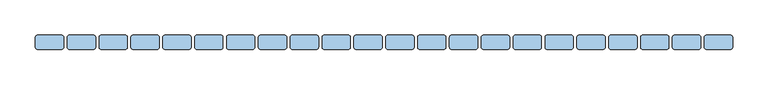
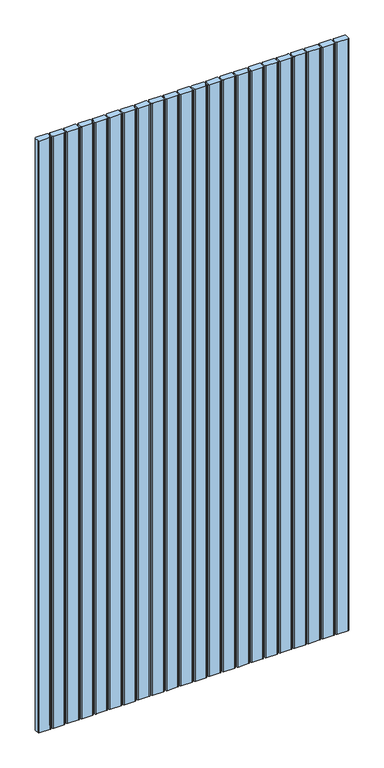
"""IFC4 building model written with IfcOpenShell, lengths in millimetres: window geometry."""

from ifc_helpers import new_model, si_unit, point, frame, frame_2d, origin, place, context, project, spatial, polyline, circle_curve, trimmed, segment, composite_curve, outline, extrude, source, transform, mapped, element, save


def window_b98b00cf(model_context):
    return source(origin(), model_context, "Body", "SweptSolid", [
        extrude(outline(composite_curve([segment(polyline([(244.995806, 135.0), (244.995806, 121.0)]), True, "CONTINUOUS"), segment(trimmed(circle_curve(frame_2d((241.995806, 121.0)), 3.0), [point((244.995806, 121.0))], [point((241.995806, 118.0))], False, "CARTESIAN"), True, "CONTINUOUS"), segment(polyline([(241.995806, 118.0), (208.004194, 118.0)]), True, "CONTINUOUS"), segment(trimmed(circle_curve(frame_2d((208.004194, 121.0)), 3.0), [point((208.004194, 118.0))], [point((205.004194, 121.0))], False, "CARTESIAN"), True, "CONTINUOUS"), segment(polyline([(205.004194, 121.0), (205.004194, 135.0)]), True, "CONTINUOUS"), segment(trimmed(circle_curve(frame_2d((208.004194, 135.0)), 3.0), [point((205.004194, 135.0))], [point((208.004194, 138.0))], False, "CARTESIAN"), True, "CONTINUOUS"), segment(polyline([(208.004194, 138.0), (241.995806, 138.0)]), True, "CONTINUOUS"), segment(trimmed(circle_curve(frame_2d((241.995806, 135.0)), 3.0), [point((241.995806, 138.0))], [point((244.995806, 135.0))], False, "CARTESIAN"), True, "CONTINUOUS")], self_intersect=False)), frame((0.0, 0.0, 100.0), z_axis=(0.0, 0.0, 1.0), x_axis=(1.0, 0.0, 0.0)), (0.0, 0.0, 1.0), 1985.0),
        extrude(outline(composite_curve([segment(polyline([(199.995806, 135.0), (199.995806, 121.0)]), True, "CONTINUOUS"), segment(trimmed(circle_curve(frame_2d((196.995806, 121.0)), 3.0), [point((199.995806, 121.0))], [point((196.995806, 118.0))], False, "CARTESIAN"), True, "CONTINUOUS"), segment(polyline([(196.995806, 118.0), (163.004194, 118.0)]), True, "CONTINUOUS"), segment(trimmed(circle_curve(frame_2d((163.004194, 121.0)), 3.0), [point((163.004194, 118.0))], [point((160.004194, 121.0))], False, "CARTESIAN"), True, "CONTINUOUS"), segment(polyline([(160.004194, 121.0), (160.004194, 135.0)]), True, "CONTINUOUS"), segment(trimmed(circle_curve(frame_2d((163.004194, 135.0)), 3.0), [point((160.004194, 135.0))], [point((163.004194, 138.0))], False, "CARTESIAN"), True, "CONTINUOUS"), segment(polyline([(163.004194, 138.0), (196.995806, 138.0)]), True, "CONTINUOUS"), segment(trimmed(circle_curve(frame_2d((196.995806, 135.0)), 3.0), [point((196.995806, 138.0))], [point((199.995806, 135.0))], False, "CARTESIAN"), True, "CONTINUOUS")], self_intersect=False)), frame((0.0, 0.0, 100.0), z_axis=(0.0, 0.0, 1.0), x_axis=(1.0, 0.0, 0.0)), (0.0, 0.0, 1.0), 1985.0),
        extrude(outline(composite_curve([segment(polyline([(154.995806, 135.0), (154.995806, 121.0)]), True, "CONTINUOUS"), segment(trimmed(circle_curve(frame_2d((151.995806, 121.0)), 3.0), [point((154.995806, 121.0))], [point((151.995806, 118.0))], False, "CARTESIAN"), True, "CONTINUOUS"), segment(polyline([(151.995806, 118.0), (118.004194, 118.0)]), True, "CONTINUOUS"), segment(trimmed(circle_curve(frame_2d((118.004194, 121.0)), 3.0), [point((118.004194, 118.0))], [point((115.004194, 121.0))], False, "CARTESIAN"), True, "CONTINUOUS"), segment(polyline([(115.004194, 121.0), (115.004194, 135.0)]), True, "CONTINUOUS"), segment(trimmed(circle_curve(frame_2d((118.004194, 135.0)), 3.0), [point((115.004194, 135.0))], [point((118.004194, 138.0))], False, "CARTESIAN"), True, "CONTINUOUS"), segment(polyline([(118.004194, 138.0), (151.995806, 138.0)]), True, "CONTINUOUS"), segment(trimmed(circle_curve(frame_2d((151.995806, 135.0)), 3.0), [point((151.995806, 138.0))], [point((154.995806, 135.0))], False, "CARTESIAN"), True, "CONTINUOUS")], self_intersect=False)), frame((0.0, 0.0, 100.0), z_axis=(0.0, 0.0, 1.0), x_axis=(1.0, 0.0, 0.0)), (0.0, 0.0, 1.0), 1985.0),
        extrude(outline(composite_curve([segment(polyline([(109.995806, 135.0), (109.995806, 121.0)]), True, "CONTINUOUS"), segment(trimmed(circle_curve(frame_2d((106.995806, 121.0)), 3.0), [point((109.995806, 121.0))], [point((106.995806, 118.0))], False, "CARTESIAN"), True, "CONTINUOUS"), segment(polyline([(106.995806, 118.0), (73.004194, 118.0)]), True, "CONTINUOUS"), segment(trimmed(circle_curve(frame_2d((73.004194, 121.0)), 3.0), [point((73.004194, 118.0))], [point((70.004194, 121.0))], False, "CARTESIAN"), True, "CONTINUOUS"), segment(polyline([(70.004194, 121.0), (70.004194, 135.0)]), True, "CONTINUOUS"), segment(trimmed(circle_curve(frame_2d((73.004194, 135.0)), 3.0), [point((70.004194, 135.0))], [point((73.004194, 138.0))], False, "CARTESIAN"), True, "CONTINUOUS"), segment(polyline([(73.004194, 138.0), (106.995806, 138.0)]), True, "CONTINUOUS"), segment(trimmed(circle_curve(frame_2d((106.995806, 135.0)), 3.0), [point((106.995806, 138.0))], [point((109.995806, 135.0))], False, "CARTESIAN"), True, "CONTINUOUS")], self_intersect=False)), frame((0.0, 0.0, 100.0), z_axis=(0.0, 0.0, 1.0), x_axis=(1.0, 0.0, 0.0)), (0.0, 0.0, 1.0), 1985.0),
        extrude(outline(composite_curve([segment(polyline([(64.995806, 135.0), (64.995806, 121.0)]), True, "CONTINUOUS"), segment(trimmed(circle_curve(frame_2d((61.995806, 121.0)), 3.0), [point((64.995806, 121.0))], [point((61.995806, 118.0))], False, "CARTESIAN"), True, "CONTINUOUS"), segment(polyline([(61.995806, 118.0), (28.004194, 118.0)]), True, "CONTINUOUS"), segment(trimmed(circle_curve(frame_2d((28.004194, 121.0)), 3.0), [point((28.004194, 118.0))], [point((25.004194, 121.0))], False, "CARTESIAN"), True, "CONTINUOUS"), segment(polyline([(25.004194, 121.0), (25.004194, 135.0)]), True, "CONTINUOUS"), segment(trimmed(circle_curve(frame_2d((28.004194, 135.0)), 3.0), [point((25.004194, 135.0))], [point((28.004194, 138.0))], False, "CARTESIAN"), True, "CONTINUOUS"), segment(polyline([(28.004194, 138.0), (61.995806, 138.0)]), True, "CONTINUOUS"), segment(trimmed(circle_curve(frame_2d((61.995806, 135.0)), 3.0), [point((61.995806, 138.0))], [point((64.995806, 135.0))], False, "CARTESIAN"), True, "CONTINUOUS")], self_intersect=False)), frame((0.0, 0.0, 100.0), z_axis=(0.0, 0.0, 1.0), x_axis=(1.0, 0.0, 0.0)), (0.0, 0.0, 1.0), 1985.0),
        extrude(outline(composite_curve([segment(polyline([(19.995806, 135.0), (19.995806, 121.0)]), True, "CONTINUOUS"), segment(trimmed(circle_curve(frame_2d((16.995806, 121.0)), 3.0), [point((19.995806, 121.0))], [point((16.995806, 118.0))], False, "CARTESIAN"), True, "CONTINUOUS"), segment(polyline([(16.995806, 118.0), (-16.995806, 118.0)]), True, "CONTINUOUS"), segment(trimmed(circle_curve(frame_2d((-16.995806, 121.0)), 3.0), [point((-16.995806, 118.0))], [point((-19.995806, 121.0))], False, "CARTESIAN"), True, "CONTINUOUS"), segment(polyline([(-19.995806, 121.0), (-19.995806, 135.0)]), True, "CONTINUOUS"), segment(trimmed(circle_curve(frame_2d((-16.995806, 135.0)), 3.0), [point((-19.995806, 135.0))], [point((-16.995806, 138.0))], False, "CARTESIAN"), True, "CONTINUOUS"), segment(polyline([(-16.995806, 138.0), (16.995806, 138.0)]), True, "CONTINUOUS"), segment(trimmed(circle_curve(frame_2d((16.995806, 135.0)), 3.0), [point((16.995806, 138.0))], [point((19.995806, 135.0))], False, "CARTESIAN"), True, "CONTINUOUS")], self_intersect=False)), frame((0.0, 0.0, 100.0), z_axis=(0.0, 0.0, 1.0), x_axis=(1.0, 0.0, 0.0)), (0.0, 0.0, 1.0), 1985.0),
        extrude(outline(composite_curve([segment(polyline([(-25.004194, 135.0), (-25.004194, 121.0)]), True, "CONTINUOUS"), segment(trimmed(circle_curve(frame_2d((-28.004194, 121.0)), 3.0), [point((-25.004194, 121.0))], [point((-28.004194, 118.0))], False, "CARTESIAN"), True, "CONTINUOUS"), segment(polyline([(-28.004194, 118.0), (-61.995806, 118.0)]), True, "CONTINUOUS"), segment(trimmed(circle_curve(frame_2d((-61.995806, 121.0)), 3.0), [point((-61.995806, 118.0))], [point((-64.995806, 121.0))], False, "CARTESIAN"), True, "CONTINUOUS"), segment(polyline([(-64.995806, 121.0), (-64.995806, 135.0)]), True, "CONTINUOUS"), segment(trimmed(circle_curve(frame_2d((-61.995806, 135.0)), 3.0), [point((-64.995806, 135.0))], [point((-61.995806, 138.0))], False, "CARTESIAN"), True, "CONTINUOUS"), segment(polyline([(-61.995806, 138.0), (-28.004194, 138.0)]), True, "CONTINUOUS"), segment(trimmed(circle_curve(frame_2d((-28.004194, 135.0)), 3.0), [point((-28.004194, 138.0))], [point((-25.004194, 135.0))], False, "CARTESIAN"), True, "CONTINUOUS")], self_intersect=False)), frame((0.0, 0.0, 100.0), z_axis=(0.0, 0.0, 1.0), x_axis=(1.0, 0.0, 0.0)), (0.0, 0.0, 1.0), 1985.0),
        extrude(outline(composite_curve([segment(polyline([(-70.004194, 135.0), (-70.004194, 121.0)]), True, "CONTINUOUS"), segment(trimmed(circle_curve(frame_2d((-73.004194, 121.0)), 3.0), [point((-70.004194, 121.0))], [point((-73.004194, 118.0))], False, "CARTESIAN"), True, "CONTINUOUS"), segment(polyline([(-73.004194, 118.0), (-106.995806, 118.0)]), True, "CONTINUOUS"), segment(trimmed(circle_curve(frame_2d((-106.995806, 121.0)), 3.0), [point((-106.995806, 118.0))], [point((-109.995806, 121.0))], False, "CARTESIAN"), True, "CONTINUOUS"), segment(polyline([(-109.995806, 121.0), (-109.995806, 135.0)]), True, "CONTINUOUS"), segment(trimmed(circle_curve(frame_2d((-106.995806, 135.0)), 3.0), [point((-109.995806, 135.0))], [point((-106.995806, 138.0))], False, "CARTESIAN"), True, "CONTINUOUS"), segment(polyline([(-106.995806, 138.0), (-73.004194, 138.0)]), True, "CONTINUOUS"), segment(trimmed(circle_curve(frame_2d((-73.004194, 135.0)), 3.0), [point((-73.004194, 138.0))], [point((-70.004194, 135.0))], False, "CARTESIAN"), True, "CONTINUOUS")], self_intersect=False)), frame((0.0, 0.0, 100.0), z_axis=(0.0, 0.0, 1.0), x_axis=(1.0, 0.0, 0.0)), (0.0, 0.0, 1.0), 1985.0),
        extrude(outline(composite_curve([segment(polyline([(-115.004194, 135.0), (-115.004194, 121.0)]), True, "CONTINUOUS"), segment(trimmed(circle_curve(frame_2d((-118.004194, 121.0)), 3.0), [point((-115.004194, 121.0))], [point((-118.004194, 118.0))], False, "CARTESIAN"), True, "CONTINUOUS"), segment(polyline([(-118.004194, 118.0), (-151.995806, 118.0)]), True, "CONTINUOUS"), segment(trimmed(circle_curve(frame_2d((-151.995806, 121.0)), 3.0), [point((-151.995806, 118.0))], [point((-154.995806, 121.0))], False, "CARTESIAN"), True, "CONTINUOUS"), segment(polyline([(-154.995806, 121.0), (-154.995806, 135.0)]), True, "CONTINUOUS"), segment(trimmed(circle_curve(frame_2d((-151.995806, 135.0)), 3.0), [point((-154.995806, 135.0))], [point((-151.995806, 138.0))], False, "CARTESIAN"), True, "CONTINUOUS"), segment(polyline([(-151.995806, 138.0), (-118.004194, 138.0)]), True, "CONTINUOUS"), segment(trimmed(circle_curve(frame_2d((-118.004194, 135.0)), 3.0), [point((-118.004194, 138.0))], [point((-115.004194, 135.0))], False, "CARTESIAN"), True, "CONTINUOUS")], self_intersect=False)), frame((0.0, 0.0, 100.0), z_axis=(0.0, 0.0, 1.0), x_axis=(1.0, 0.0, 0.0)), (0.0, 0.0, 1.0), 1985.0),
        extrude(outline(composite_curve([segment(polyline([(-160.004194, 135.0), (-160.004194, 121.0)]), True, "CONTINUOUS"), segment(trimmed(circle_curve(frame_2d((-163.004194, 121.0)), 3.0), [point((-160.004194, 121.0))], [point((-163.004194, 118.0))], False, "CARTESIAN"), True, "CONTINUOUS"), segment(polyline([(-163.004194, 118.0), (-196.995806, 118.0)]), True, "CONTINUOUS"), segment(trimmed(circle_curve(frame_2d((-196.995806, 121.0)), 3.0), [point((-196.995806, 118.0))], [point((-199.995806, 121.0))], False, "CARTESIAN"), True, "CONTINUOUS"), segment(polyline([(-199.995806, 121.0), (-199.995806, 135.0)]), True, "CONTINUOUS"), segment(trimmed(circle_curve(frame_2d((-196.995806, 135.0)), 3.0), [point((-199.995806, 135.0))], [point((-196.995806, 138.0))], False, "CARTESIAN"), True, "CONTINUOUS"), segment(polyline([(-196.995806, 138.0), (-163.004194, 138.0)]), True, "CONTINUOUS"), segment(trimmed(circle_curve(frame_2d((-163.004194, 135.0)), 3.0), [point((-163.004194, 138.0))], [point((-160.004194, 135.0))], False, "CARTESIAN"), True, "CONTINUOUS")], self_intersect=False)), frame((0.0, 0.0, 100.0), z_axis=(0.0, 0.0, 1.0), x_axis=(1.0, 0.0, 0.0)), (0.0, 0.0, 1.0), 1985.0),
        extrude(outline(composite_curve([segment(polyline([(-205.004194, 135.0), (-205.004194, 121.0)]), True, "CONTINUOUS"), segment(trimmed(circle_curve(frame_2d((-208.004194, 121.0)), 3.0), [point((-205.004194, 121.0))], [point((-208.004194, 118.0))], False, "CARTESIAN"), True, "CONTINUOUS"), segment(polyline([(-208.004194, 118.0), (-241.995806, 118.0)]), True, "CONTINUOUS"), segment(trimmed(circle_curve(frame_2d((-241.995806, 121.0)), 3.0), [point((-241.995806, 118.0))], [point((-244.995806, 121.0))], False, "CARTESIAN"), True, "CONTINUOUS"), segment(polyline([(-244.995806, 121.0), (-244.995806, 135.0)]), True, "CONTINUOUS"), segment(trimmed(circle_curve(frame_2d((-241.995806, 135.0)), 3.0), [point((-244.995806, 135.0))], [point((-241.995806, 138.0))], False, "CARTESIAN"), True, "CONTINUOUS"), segment(polyline([(-241.995806, 138.0), (-208.004194, 138.0)]), True, "CONTINUOUS"), segment(trimmed(circle_curve(frame_2d((-208.004194, 135.0)), 3.0), [point((-208.004194, 138.0))], [point((-205.004194, 135.0))], False, "CARTESIAN"), True, "CONTINUOUS")], self_intersect=False)), frame((0.0, 0.0, 100.0), z_axis=(0.0, 0.0, 1.0), x_axis=(1.0, 0.0, 0.0)), (0.0, 0.0, 1.0), 1985.0),
        extrude(outline(composite_curve([segment(polyline([(-250.004194, 135.0), (-250.004194, 121.0)]), True, "CONTINUOUS"), segment(trimmed(circle_curve(frame_2d((-253.004194, 121.0)), 3.0), [point((-250.004194, 121.0))], [point((-253.004194, 118.0))], False, "CARTESIAN"), True, "CONTINUOUS"), segment(polyline([(-253.004194, 118.0), (-286.995806, 118.0)]), True, "CONTINUOUS"), segment(trimmed(circle_curve(frame_2d((-286.995806, 121.0)), 3.0), [point((-286.995806, 118.0))], [point((-289.995806, 121.0))], False, "CARTESIAN"), True, "CONTINUOUS"), segment(polyline([(-289.995806, 121.0), (-289.995806, 135.0)]), True, "CONTINUOUS"), segment(trimmed(circle_curve(frame_2d((-286.995806, 135.0)), 3.0), [point((-289.995806, 135.0))], [point((-286.995806, 138.0))], False, "CARTESIAN"), True, "CONTINUOUS"), segment(polyline([(-286.995806, 138.0), (-253.004194, 138.0)]), True, "CONTINUOUS"), segment(trimmed(circle_curve(frame_2d((-253.004194, 135.0)), 3.0), [point((-253.004194, 138.0))], [point((-250.004194, 135.0))], False, "CARTESIAN"), True, "CONTINUOUS")], self_intersect=False)), frame((0.0, 0.0, 100.0), z_axis=(0.0, 0.0, 1.0), x_axis=(1.0, 0.0, 0.0)), (0.0, 0.0, 1.0), 1985.0),
        extrude(outline(composite_curve([segment(polyline([(-295.004194, 135.0), (-295.004194, 121.0)]), True, "CONTINUOUS"), segment(trimmed(circle_curve(frame_2d((-298.004194, 121.0)), 3.0), [point((-295.004194, 121.0))], [point((-298.004194, 118.0))], False, "CARTESIAN"), True, "CONTINUOUS"), segment(polyline([(-298.004194, 118.0), (-331.995806, 118.0)]), True, "CONTINUOUS"), segment(trimmed(circle_curve(frame_2d((-331.995806, 121.0)), 3.0), [point((-331.995806, 118.0))], [point((-334.995806, 121.0))], False, "CARTESIAN"), True, "CONTINUOUS"), segment(polyline([(-334.995806, 121.0), (-334.995806, 135.0)]), True, "CONTINUOUS"), segment(trimmed(circle_curve(frame_2d((-331.995806, 135.0)), 3.0), [point((-334.995806, 135.0))], [point((-331.995806, 138.0))], False, "CARTESIAN"), True, "CONTINUOUS"), segment(polyline([(-331.995806, 138.0), (-298.004194, 138.0)]), True, "CONTINUOUS"), segment(trimmed(circle_curve(frame_2d((-298.004194, 135.0)), 3.0), [point((-298.004194, 138.0))], [point((-295.004194, 135.0))], False, "CARTESIAN"), True, "CONTINUOUS")], self_intersect=False)), frame((0.0, 0.0, 100.0), z_axis=(0.0, 0.0, 1.0), x_axis=(1.0, 0.0, 0.0)), (0.0, 0.0, 1.0), 1985.0),
        extrude(outline(composite_curve([segment(polyline([(-340.004194, 135.0), (-340.004194, 121.0)]), True, "CONTINUOUS"), segment(trimmed(circle_curve(frame_2d((-343.004194, 121.0)), 3.0), [point((-340.004194, 121.0))], [point((-343.004194, 118.0))], False, "CARTESIAN"), True, "CONTINUOUS"), segment(polyline([(-343.004194, 118.0), (-376.995806, 118.0)]), True, "CONTINUOUS"), segment(trimmed(circle_curve(frame_2d((-376.995806, 121.0)), 3.0), [point((-376.995806, 118.0))], [point((-379.995806, 121.0))], False, "CARTESIAN"), True, "CONTINUOUS"), segment(polyline([(-379.995806, 121.0), (-379.995806, 135.0)]), True, "CONTINUOUS"), segment(trimmed(circle_curve(frame_2d((-376.995806, 135.0)), 3.0), [point((-379.995806, 135.0))], [point((-376.995806, 138.0))], False, "CARTESIAN"), True, "CONTINUOUS"), segment(polyline([(-376.995806, 138.0), (-343.004194, 138.0)]), True, "CONTINUOUS"), segment(trimmed(circle_curve(frame_2d((-343.004194, 135.0)), 3.0), [point((-343.004194, 138.0))], [point((-340.004194, 135.0))], False, "CARTESIAN"), True, "CONTINUOUS")], self_intersect=False)), frame((0.0, 0.0, 100.0), z_axis=(0.0, 0.0, 1.0), x_axis=(1.0, 0.0, 0.0)), (0.0, 0.0, 1.0), 1985.0),
        extrude(outline(composite_curve([segment(polyline([(-385.004194, 135.0), (-385.004194, 121.0)]), True, "CONTINUOUS"), segment(trimmed(circle_curve(frame_2d((-388.004194, 121.0)), 3.0), [point((-385.004194, 121.0))], [point((-388.004194, 118.0))], False, "CARTESIAN"), True, "CONTINUOUS"), segment(polyline([(-388.004194, 118.0), (-421.995806, 118.0)]), True, "CONTINUOUS"), segment(trimmed(circle_curve(frame_2d((-421.995806, 121.0)), 3.0), [point((-421.995806, 118.0))], [point((-424.995806, 121.0))], False, "CARTESIAN"), True, "CONTINUOUS"), segment(polyline([(-424.995806, 121.0), (-424.995806, 135.0)]), True, "CONTINUOUS"), segment(trimmed(circle_curve(frame_2d((-421.995806, 135.0)), 3.0), [point((-424.995806, 135.0))], [point((-421.995806, 138.0))], False, "CARTESIAN"), True, "CONTINUOUS"), segment(polyline([(-421.995806, 138.0), (-388.004194, 138.0)]), True, "CONTINUOUS"), segment(trimmed(circle_curve(frame_2d((-388.004194, 135.0)), 3.0), [point((-388.004194, 138.0))], [point((-385.004194, 135.0))], False, "CARTESIAN"), True, "CONTINUOUS")], self_intersect=False)), frame((0.0, 0.0, 100.0), z_axis=(0.0, 0.0, 1.0), x_axis=(1.0, 0.0, 0.0)), (0.0, 0.0, 1.0), 1985.0),
        extrude(outline(composite_curve([segment(polyline([(-430.004194, 135.0), (-430.004194, 121.0)]), True, "CONTINUOUS"), segment(trimmed(circle_curve(frame_2d((-433.004194, 121.0)), 3.0), [point((-430.004194, 121.0))], [point((-433.004194, 118.0))], False, "CARTESIAN"), True, "CONTINUOUS"), segment(polyline([(-433.004194, 118.0), (-466.995806, 118.0)]), True, "CONTINUOUS"), segment(trimmed(circle_curve(frame_2d((-466.995806, 121.0)), 3.0), [point((-466.995806, 118.0))], [point((-469.995806, 121.0))], False, "CARTESIAN"), True, "CONTINUOUS"), segment(polyline([(-469.995806, 121.0), (-469.995806, 135.0)]), True, "CONTINUOUS"), segment(trimmed(circle_curve(frame_2d((-466.995806, 135.0)), 3.0), [point((-469.995806, 135.0))], [point((-466.995806, 138.0))], False, "CARTESIAN"), True, "CONTINUOUS"), segment(polyline([(-466.995806, 138.0), (-433.004194, 138.0)]), True, "CONTINUOUS"), segment(trimmed(circle_curve(frame_2d((-433.004194, 135.0)), 3.0), [point((-433.004194, 138.0))], [point((-430.004194, 135.0))], False, "CARTESIAN"), True, "CONTINUOUS")], self_intersect=False)), frame((0.0, 0.0, 100.0), z_axis=(0.0, 0.0, 1.0), x_axis=(1.0, 0.0, 0.0)), (0.0, 0.0, 1.0), 1985.0),
        extrude(outline(composite_curve([segment(polyline([(-475.004194, 135.0), (-475.004194, 121.0)]), True, "CONTINUOUS"), segment(trimmed(circle_curve(frame_2d((-478.004194, 121.0)), 3.0), [point((-475.004194, 121.0))], [point((-478.004194, 118.0))], False, "CARTESIAN"), True, "CONTINUOUS"), segment(polyline([(-478.004194, 118.0), (-511.995806, 118.0)]), True, "CONTINUOUS"), segment(trimmed(circle_curve(frame_2d((-511.995806, 121.0)), 3.0), [point((-511.995806, 118.0))], [point((-514.995806, 121.0))], False, "CARTESIAN"), True, "CONTINUOUS"), segment(polyline([(-514.995806, 121.0), (-514.995806, 135.0)]), True, "CONTINUOUS"), segment(trimmed(circle_curve(frame_2d((-511.995806, 135.0)), 3.0), [point((-514.995806, 135.0))], [point((-511.995806, 138.0))], False, "CARTESIAN"), True, "CONTINUOUS"), segment(polyline([(-511.995806, 138.0), (-478.004194, 138.0)]), True, "CONTINUOUS"), segment(trimmed(circle_curve(frame_2d((-478.004194, 135.0)), 3.0), [point((-478.004194, 138.0))], [point((-475.004194, 135.0))], False, "CARTESIAN"), True, "CONTINUOUS")], self_intersect=False)), frame((0.0, 0.0, 100.0), z_axis=(0.0, 0.0, 1.0), x_axis=(1.0, 0.0, 0.0)), (0.0, 0.0, 1.0), 1985.0),
        extrude(outline(composite_curve([segment(polyline([(-520.004194, 135.0), (-520.004194, 121.0)]), True, "CONTINUOUS"), segment(trimmed(circle_curve(frame_2d((-523.004194, 121.0)), 3.0), [point((-520.004194, 121.0))], [point((-523.004194, 118.0))], False, "CARTESIAN"), True, "CONTINUOUS"), segment(polyline([(-523.004194, 118.0), (-556.995806, 118.0)]), True, "CONTINUOUS"), segment(trimmed(circle_curve(frame_2d((-556.995806, 121.0)), 3.0), [point((-556.995806, 118.0))], [point((-559.995806, 121.0))], False, "CARTESIAN"), True, "CONTINUOUS"), segment(polyline([(-559.995806, 121.0), (-559.995806, 135.0)]), True, "CONTINUOUS"), segment(trimmed(circle_curve(frame_2d((-556.995806, 135.0)), 3.0), [point((-559.995806, 135.0))], [point((-556.995806, 138.0))], False, "CARTESIAN"), True, "CONTINUOUS"), segment(polyline([(-556.995806, 138.0), (-523.004194, 138.0)]), True, "CONTINUOUS"), segment(trimmed(circle_curve(frame_2d((-523.004194, 135.0)), 3.0), [point((-523.004194, 138.0))], [point((-520.004194, 135.0))], False, "CARTESIAN"), True, "CONTINUOUS")], self_intersect=False)), frame((0.0, 0.0, 100.0), z_axis=(0.0, 0.0, 1.0), x_axis=(1.0, 0.0, 0.0)), (0.0, 0.0, 1.0), 1985.0),
        extrude(outline(composite_curve([segment(polyline([(-565.004194, 135.0), (-565.004194, 121.0)]), True, "CONTINUOUS"), segment(trimmed(circle_curve(frame_2d((-568.004194, 121.0)), 3.0), [point((-565.004194, 121.0))], [point((-568.004194, 118.0))], False, "CARTESIAN"), True, "CONTINUOUS"), segment(polyline([(-568.004194, 118.0), (-601.995806, 118.0)]), True, "CONTINUOUS"), segment(trimmed(circle_curve(frame_2d((-601.995806, 121.0)), 3.0), [point((-601.995806, 118.0))], [point((-604.995806, 121.0))], False, "CARTESIAN"), True, "CONTINUOUS"), segment(polyline([(-604.995806, 121.0), (-604.995806, 135.0)]), True, "CONTINUOUS"), segment(trimmed(circle_curve(frame_2d((-601.995806, 135.0)), 3.0), [point((-604.995806, 135.0))], [point((-601.995806, 138.0))], False, "CARTESIAN"), True, "CONTINUOUS"), segment(polyline([(-601.995806, 138.0), (-568.004194, 138.0)]), True, "CONTINUOUS"), segment(trimmed(circle_curve(frame_2d((-568.004194, 135.0)), 3.0), [point((-568.004194, 138.0))], [point((-565.004194, 135.0))], False, "CARTESIAN"), True, "CONTINUOUS")], self_intersect=False)), frame((0.0, 0.0, 100.0), z_axis=(0.0, 0.0, 1.0), x_axis=(1.0, 0.0, 0.0)), (0.0, 0.0, 1.0), 1985.0),
        extrude(outline(composite_curve([segment(polyline([(-610.004194, 135.0), (-610.004194, 121.0)]), True, "CONTINUOUS"), segment(trimmed(circle_curve(frame_2d((-613.004194, 121.0)), 3.0), [point((-610.004194, 121.0))], [point((-613.004194, 118.0))], False, "CARTESIAN"), True, "CONTINUOUS"), segment(polyline([(-613.004194, 118.0), (-646.995806, 118.0)]), True, "CONTINUOUS"), segment(trimmed(circle_curve(frame_2d((-646.995806, 121.0)), 3.0), [point((-646.995806, 118.0))], [point((-649.995806, 121.0))], False, "CARTESIAN"), True, "CONTINUOUS"), segment(polyline([(-649.995806, 121.0), (-649.995806, 135.0)]), True, "CONTINUOUS"), segment(trimmed(circle_curve(frame_2d((-646.995806, 135.0)), 3.0), [point((-649.995806, 135.0))], [point((-646.995806, 138.0))], False, "CARTESIAN"), True, "CONTINUOUS"), segment(polyline([(-646.995806, 138.0), (-613.004194, 138.0)]), True, "CONTINUOUS"), segment(trimmed(circle_curve(frame_2d((-613.004194, 135.0)), 3.0), [point((-613.004194, 138.0))], [point((-610.004194, 135.0))], False, "CARTESIAN"), True, "CONTINUOUS")], self_intersect=False)), frame((0.0, 0.0, 100.0), z_axis=(0.0, 0.0, 1.0), x_axis=(1.0, 0.0, 0.0)), (0.0, 0.0, 1.0), 1985.0),
        extrude(outline(composite_curve([segment(polyline([(-655.004194, 135.0), (-655.004194, 121.0)]), True, "CONTINUOUS"), segment(trimmed(circle_curve(frame_2d((-658.004194, 121.0)), 3.0), [point((-655.004194, 121.0))], [point((-658.004194, 118.0))], False, "CARTESIAN"), True, "CONTINUOUS"), segment(polyline([(-658.004194, 118.0), (-691.995806, 118.0)]), True, "CONTINUOUS"), segment(trimmed(circle_curve(frame_2d((-691.995806, 121.0)), 3.0), [point((-691.995806, 118.0))], [point((-694.995806, 121.0))], False, "CARTESIAN"), True, "CONTINUOUS"), segment(polyline([(-694.995806, 121.0), (-694.995806, 135.0)]), True, "CONTINUOUS"), segment(trimmed(circle_curve(frame_2d((-691.995806, 135.0)), 3.0), [point((-694.995806, 135.0))], [point((-691.995806, 138.0))], False, "CARTESIAN"), True, "CONTINUOUS"), segment(polyline([(-691.995806, 138.0), (-658.004194, 138.0)]), True, "CONTINUOUS"), segment(trimmed(circle_curve(frame_2d((-658.004194, 135.0)), 3.0), [point((-658.004194, 138.0))], [point((-655.004194, 135.0))], False, "CARTESIAN"), True, "CONTINUOUS")], self_intersect=False)), frame((0.0, 0.0, 100.0), z_axis=(0.0, 0.0, 1.0), x_axis=(1.0, 0.0, 0.0)), (0.0, 0.0, 1.0), 1985.0),
        extrude(outline(composite_curve([segment(polyline([(-700.008388, 135.0), (-700.008388, 121.0)]), True, "CONTINUOUS"), segment(trimmed(circle_curve(frame_2d((-703.008388, 121.0)), 3.0), [point((-700.008388, 121.0))], [point((-703.008388, 118.0))], False, "CARTESIAN"), True, "CONTINUOUS"), segment(polyline([(-703.008388, 118.0), (-737.0, 118.0)]), True, "CONTINUOUS"), segment(trimmed(circle_curve(frame_2d((-737.0, 121.0)), 3.0), [point((-737.0, 118.0))], [point((-740.0, 121.0))], False, "CARTESIAN"), True, "CONTINUOUS"), segment(polyline([(-740.0, 121.0), (-740.0, 135.0)]), True, "CONTINUOUS"), segment(trimmed(circle_curve(frame_2d((-737.0, 135.0)), 3.0), [point((-740.0, 135.0))], [point((-737.0, 138.0))], False, "CARTESIAN"), True, "CONTINUOUS"), segment(polyline([(-737.0, 138.0), (-703.008388, 138.0)]), True, "CONTINUOUS"), segment(trimmed(circle_curve(frame_2d((-703.008388, 135.0)), 3.0), [point((-703.008388, 138.0))], [point((-700.008388, 135.0))], False, "CARTESIAN"), True, "CONTINUOUS")], self_intersect=False)), frame((0.0, 0.0, 100.0), z_axis=(0.0, 0.0, 1.0), x_axis=(1.0, 0.0, 0.0)), (0.0, 0.0, 1.0), 1985.0),
    ])


if __name__ == "__main__":
    model = new_model("IFC4")
    model_context = context("Model", 3, world=origin())
    ifc_project = project(units=[si_unit("LENGTHUNIT", "METRE", prefix="MILLI")], contexts=[model_context])
    site = spatial("IfcSite", under=ifc_project)
    building = spatial("IfcBuilding", under=site)
    placement = place(None, origin())
    window_shape = window_b98b00cf(model_context)
    element("IfcWindow", 1, at=placement, inside=building, context=model_context, shape_type="MappedRepresentation", body=[
        mapped(window_shape, transform((0.0, 0.0, 0.0), x_axis=(1.0, 0.0, 0.0), y_axis=(0.0, 1.0, 0.0), z_axis=(0.0, 0.0, 1.0))),
    ])
    save(model, "model.ifc")
